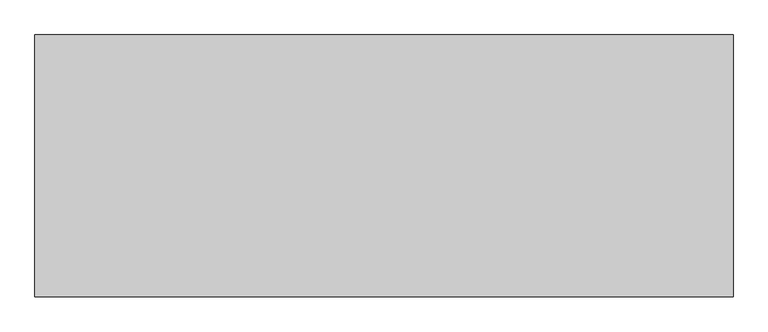
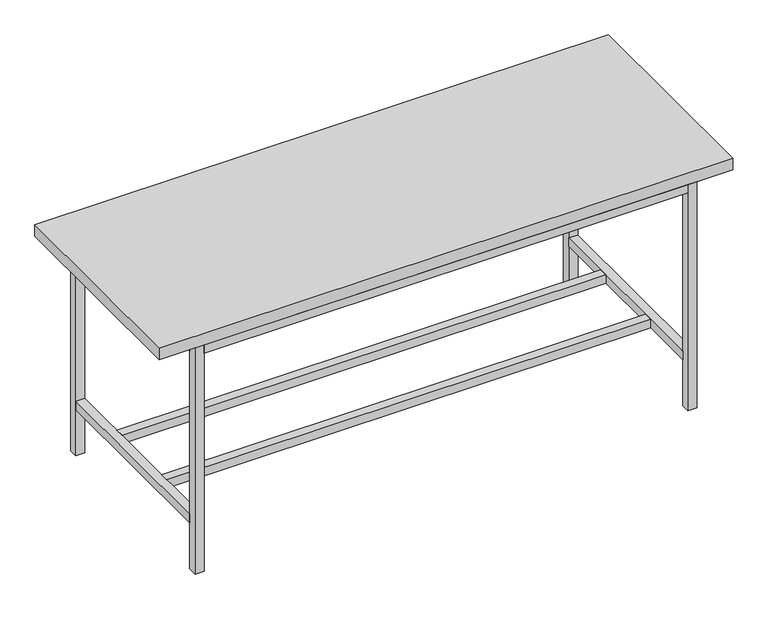
"""IFC4 building model written with IfcOpenShell, lengths in millimetres: furniture geometry."""

from ifc_helpers import new_model, si_unit, frame, origin, origin_with_axes, place, context, project, spatial, polyline, outline, extrude, source, transform, mapped, element, save


def furniture_3a25b49a(model_context):
    return source(origin(), model_context, "Body", "SweptSolid", [
        extrude(outline(polyline([(7099.3, 445.5973297), (7099.3, -468.8026703), (4660.9, -468.8026703), (4660.9, 445.5973297), (7099.3, 445.5973297)])), frame((0.0, 0.0, 1016.0), z_axis=(0.0, 0.0, 1.0), x_axis=(1.0, 0.0, 0.0)), (0.0, 0.0, 1.0), 50.8),
        extrude(outline(polyline([(6908.8, 172.5473297), (6908.8, 134.4473297), (4851.4, 134.4473297), (4851.4, 172.5473297), (6908.8, 172.5473297)])), frame((0.0, 0.0, 206.375), z_axis=(0.0, 0.0, 1.0), x_axis=(1.0, 0.0, 0.0)), (0.0, 0.0, 1.0), 38.1),
        extrude(outline(polyline([(6908.8, -157.6527578), (6908.8, -195.7527578), (4851.4, -195.7527578), (4851.4, -157.6527578), (6908.8, -157.6527578)])), frame((0.0, 0.0, 206.375), z_axis=(0.0, 0.0, 1.0), x_axis=(1.0, 0.0, 0.0)), (0.0, 0.0, 1.0), 38.1),
        extrude(outline(polyline([(6908.8, 407.4973297), (4851.4, 407.4973297), (4851.4, 445.5973297), (6908.8, 445.5973297), (6908.8, 407.4973297)])), frame((0.0, 0.0, 977.9), z_axis=(0.0, 0.0, 1.0), x_axis=(1.0, 0.0, 0.0)), (0.0, 0.0, 1.0), 38.1),
        extrude(outline(polyline([(4851.4, -468.8026703), (4851.4, -430.7027578), (6908.8, -430.7027578), (6908.8, -468.8026703), (4851.4, -468.8026703)])), frame((0.0, 0.0, 977.9), z_axis=(0.0, 0.0, 1.0), x_axis=(1.0, 0.0, 0.0)), (0.0, 0.0, 1.0), 38.1),
        extrude(outline(polyline([(6908.8, -430.7027578), (6908.8, 407.4973297), (6946.9, 407.4973297), (6946.9, -430.7027578), (6908.8, -430.7027578)])), frame((0.0, 0.0, 977.9), z_axis=(0.0, 0.0, 1.0), x_axis=(1.0, 0.0, 0.0)), (0.0, 0.0, 1.0), 38.1),
        extrude(outline(polyline([(6908.8, -430.7027578), (6908.8, 407.4973297), (6946.9, 407.4973297), (6946.9, -430.7027578), (6908.8, -430.7027578)])), frame((0.0, 0.0, 206.375), z_axis=(0.0, 0.0, 1.0), x_axis=(1.0, 0.0, 0.0)), (0.0, 0.0, 1.0), 38.1),
        extrude(outline(polyline([(4813.3, -430.7027578), (4813.3, 407.4973297), (4851.4, 407.4973297), (4851.4, -430.7027578), (4813.3, -430.7027578)])), frame((0.0, 0.0, 206.375), z_axis=(0.0, 0.0, 1.0), x_axis=(1.0, 0.0, 0.0)), (0.0, 0.0, 1.0), 38.1),
        extrude(outline(polyline([(4813.3, -430.7027578), (4813.3, 407.4973297), (4851.4, 407.4973297), (4851.4, -430.7027578), (4813.3, -430.7027578)])), frame((0.0, 0.0, 977.9), z_axis=(0.0, 0.0, 1.0), x_axis=(1.0, 0.0, 0.0)), (0.0, 0.0, 1.0), 38.1),
        extrude(outline(polyline([(6946.9, 445.5973297), (6946.9, 407.4973297), (6908.8, 407.4973297), (6908.8, 445.5973297), (6946.9, 445.5973297)])), origin_with_axes(), (0.0, 0.0, 1.0), 1016.0),
        extrude(outline(polyline([(6946.9, -430.7027578), (6946.9, -468.8026703), (6908.8, -468.8026703), (6908.8, -430.7027578), (6946.9, -430.7027578)])), origin_with_axes(), (0.0, 0.0, 1.0), 1016.0),
        extrude(outline(polyline([(4851.4, -430.7027578), (4851.4, -468.8026703), (4813.3, -468.8026703), (4813.3, -430.7027578), (4851.4, -430.7027578)])), origin_with_axes(), (0.0, 0.0, 1.0), 1016.0),
        extrude(outline(polyline([(4851.4, 445.5973297), (4851.4, 407.4973297), (4813.3, 407.4973297), (4813.3, 445.5973297), (4851.4, 445.5973297)])), origin_with_axes(), (0.0, 0.0, 1.0), 1016.0),
    ])


if __name__ == "__main__":
    model = new_model("IFC4")
    model_context = context("Model", 3, world=origin())
    ifc_project = project(units=[si_unit("LENGTHUNIT", "METRE", prefix="MILLI")], contexts=[model_context])
    site = spatial("IfcSite", under=ifc_project)
    building = spatial("IfcBuilding", under=site)
    placement = place(None, origin())
    furniture_shape = furniture_3a25b49a(model_context)
    element("IfcFurniture", 1, at=placement, inside=building, context=model_context, shape_type="MappedRepresentation", body=[
        mapped(furniture_shape, transform((0.0, 0.0, 0.0), x_axis=(1.0, 0.0, 0.0), y_axis=(0.0, 1.0, 0.0), z_axis=(0.0, 0.0, 1.0))),
    ])
    save(model, "model.ifc")
